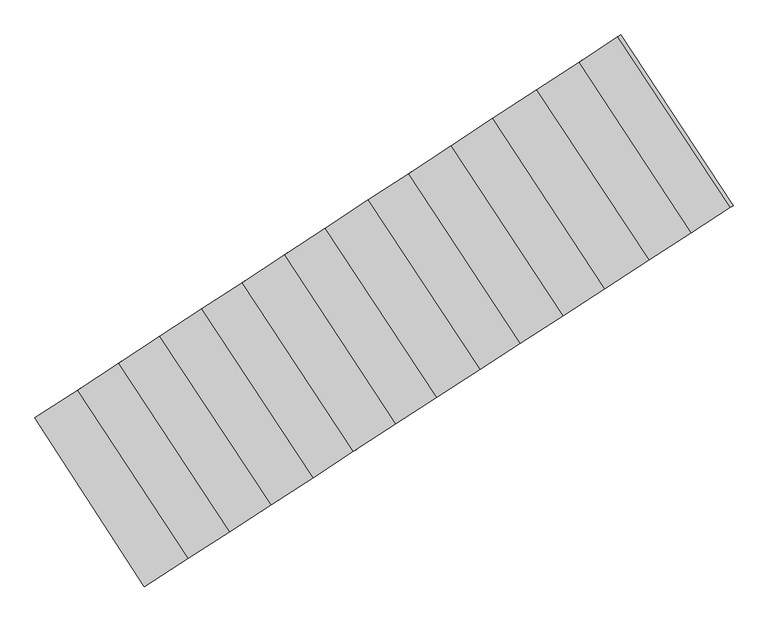
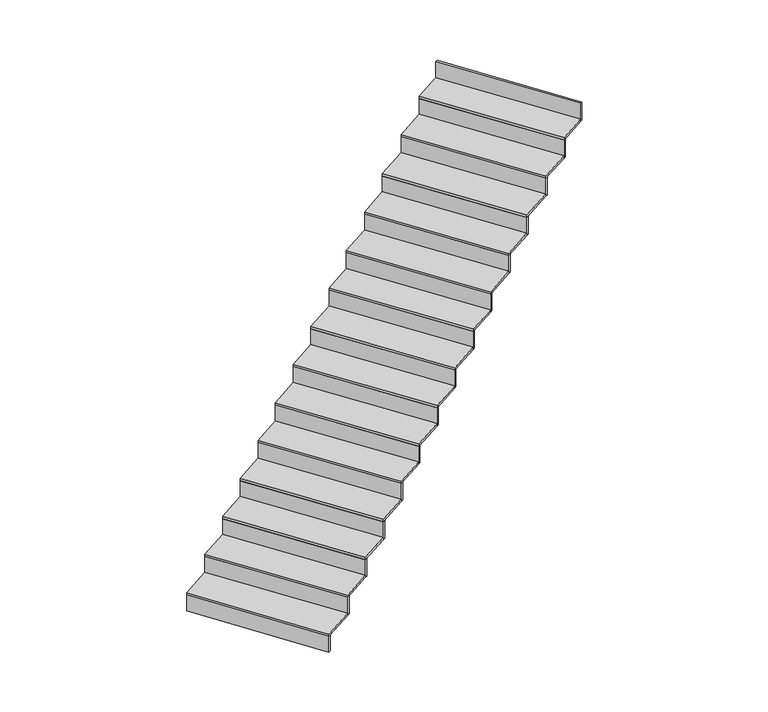
"""IFC4 building model written with IfcOpenShell, lengths in millimetres: stair flight geometry."""

from ifc_helpers import new_model, si_unit, frame, origin, place, context, project, spatial, polyline, outline, extrude, source, transform, mapped, element, save


def stair_flight_b3b17c06(model_context):
    return source(origin(), model_context, "Body", "SweptSolid", [
        extrude(outline(polyline([(85782.751732, 5957.9751414), (85765.9633212, 5947.1054755), (85127.6388762, 6930.9217381), (85144.3779386, 6941.8674622), (85782.751732, 5957.9751414)])), frame((0.0, 0.0, -2376.5), z_axis=(0.0, 0.0, 1.0), x_axis=(1.0, 0.0, 0.0)), (0.0, 0.0, 1.0), 140.8530746),
        extrude(outline(polyline([(85376.2366219, 7093.4805638), (86022.4494329, 6113.1675492), (85765.9633212, 5947.1054755), (85127.6388762, 6930.9217381), (85376.2366219, 7093.4805638)])), frame((0.0, 0.0, -2235.6469254), z_axis=(0.0, 0.0, 1.0), x_axis=(1.0, 0.0, 0.0)), (0.0, 0.0, 1.0), 20.0),
        extrude(outline(polyline([(86039.2384042, 6124.0375779), (86022.4494329, 6113.1675492), (85376.2366219, 7093.4805638), (85392.9756921, 7104.426293), (86039.2384042, 6124.0375779)])), frame((0.0, 0.0, -2235.6469254), z_axis=(0.0, 0.0, 1.0), x_axis=(1.0, 0.0, 0.0)), (0.0, 0.0, 1.0), 160.8530746),
        extrude(outline(polyline([(85615.459194, 7249.9089348), (86262.3851543, 6268.5140636), (86022.4494329, 6113.1675492), (85376.2366219, 7093.4805638), (85615.459194, 7249.9089348)])), frame((0.0, 0.0, -2074.7938508), z_axis=(0.0, 0.0, 1.0), x_axis=(1.0, 0.0, 0.0)), (0.0, 0.0, 1.0), 20.0),
        extrude(outline(polyline([(86279.1741256, 6279.3840923), (86262.3851543, 6268.5140636), (85615.459194, 7249.9089348), (85632.1982642, 7260.854664), (86279.1741256, 6279.3840923)])), frame((0.0, 0.0, -2074.7938508), z_axis=(0.0, 0.0, 1.0), x_axis=(1.0, 0.0, 0.0)), (0.0, 0.0, 1.0), 160.8530746),
        extrude(outline(polyline([(85856.7940704, 7407.718548), (86504.4394771, 6425.2322676), (86262.3851543, 6268.5140636), (85615.459194, 7249.9089348), (85856.7940704, 7407.718548)])), frame((0.0, 0.0, -1913.9407762), z_axis=(0.0, 0.0, 1.0), x_axis=(1.0, 0.0, 0.0)), (0.0, 0.0, 1.0), 20.0),
        extrude(outline(polyline([(86521.2284484, 6436.1022963), (86504.4394771, 6425.2322676), (85856.7940704, 7407.718548), (85873.5331406, 7418.6642772), (86521.2284484, 6436.1022963)])), frame((0.0, 0.0, -1913.9407762), z_axis=(0.0, 0.0, 1.0), x_axis=(1.0, 0.0, 0.0)), (0.0, 0.0, 1.0), 160.8530746),
        extrude(outline(polyline([(86100.8922311, 7567.3350813), (86749.2653218, 6583.744895), (86504.4394771, 6425.2322676), (85856.7940704, 7407.718548), (86100.8922311, 7567.3350813)])), frame((0.0, 0.0, -1753.0877016), z_axis=(0.0, 0.0, 1.0), x_axis=(1.0, 0.0, 0.0)), (0.0, 0.0, 1.0), 20.0),
        extrude(outline(polyline([(86766.0542931, 6594.6149237), (86749.2653218, 6583.744895), (86100.8922311, 7567.3350813), (86117.6313013, 7578.2808105), (86766.0542931, 6594.6149237)])), frame((0.0, 0.0, -1753.0877016), z_axis=(0.0, 0.0, 1.0), x_axis=(1.0, 0.0, 0.0)), (0.0, 0.0, 1.0), 160.8530746),
        extrude(outline(polyline([(86335.2392145, 7720.57529), (86984.31092, 6735.9252964), (86749.2653218, 6583.744895), (86100.8922311, 7567.3350813), (86335.2392145, 7720.57529)])), frame((0.0, 0.0, -1592.234627), z_axis=(0.0, 0.0, 1.0), x_axis=(1.0, 0.0, 0.0)), (0.0, 0.0, 1.0), 20.0),
        extrude(outline(polyline([(87001.0998912, 6746.7953251), (86984.31092, 6735.9252964), (86335.2392145, 7720.57529), (86351.9782848, 7731.5210191), (87001.0998912, 6746.7953251)])), frame((0.0, 0.0, -1592.234627), z_axis=(0.0, 0.0, 1.0), x_axis=(1.0, 0.0, 0.0)), (0.0, 0.0, 1.0), 160.8530746),
        extrude(outline(polyline([(86582.8313218, 7882.4765255), (87232.641127, 6896.7068251), (86984.31092, 6735.9252964), (86335.2392145, 7720.57529), (86582.8313218, 7882.4765255)])), frame((0.0, 0.0, -1431.3815524), z_axis=(0.0, 0.0, 1.0), x_axis=(1.0, 0.0, 0.0)), (0.0, 0.0, 1.0), 20.0),
        extrude(outline(polyline([(87249.4300983, 6907.5768538), (87232.641127, 6896.7068251), (86582.8313218, 7882.4765255), (86599.570392, 7893.4222547), (87249.4300983, 6907.5768538)])), frame((0.0, 0.0, -1431.3815524), z_axis=(0.0, 0.0, 1.0), x_axis=(1.0, 0.0, 0.0)), (0.0, 0.0, 1.0), 160.8530746),
        extrude(outline(polyline([(86820.6722517, 8038.0014365), (87471.1910875, 7051.1561278), (87232.641127, 6896.7068251), (86582.8313218, 7882.4765255), (86820.6722517, 8038.0014365)])), frame((0.0, 0.0, -1270.5284778), z_axis=(0.0, 0.0, 1.0), x_axis=(1.0, 0.0, 0.0)), (0.0, 0.0, 1.0), 20.0),
        extrude(outline(polyline([(87487.9800587, 7062.0261565), (87471.1910875, 7051.1561278), (86820.6722517, 8038.0014365), (86837.4113219, 8048.9471657), (87487.9800587, 7062.0261565)])), frame((0.0, 0.0, -1270.5284778), z_axis=(0.0, 0.0, 1.0), x_axis=(1.0, 0.0, 0.0)), (0.0, 0.0, 1.0), 160.8530746),
        extrude(outline(polyline([(87071.7583053, 8202.1873743), (87723.0256569, 7214.2065579), (87471.1910875, 7051.1561278), (86820.6722517, 8038.0014365), (87071.7583053, 8202.1873743)])), frame((0.0, 0.0, -1109.6754032), z_axis=(0.0, 0.0, 1.0), x_axis=(1.0, 0.0, 0.0)), (0.0, 0.0, 1.0), 20.0),
        extrude(outline(polyline([(87739.8146281, 7225.0765865), (87723.0256569, 7214.2065579), (87071.7583053, 8202.1873743), (87088.4973756, 8213.1331035), (87739.8146281, 7225.0765865)])), frame((0.0, 0.0, -1109.6754032), z_axis=(0.0, 0.0, 1.0), x_axis=(1.0, 0.0, 0.0)), (0.0, 0.0, 1.0), 160.8530746),
        extrude(outline(polyline([(87306.1052888, 8355.427583), (87958.071255, 7366.3869592), (87723.0256569, 7214.2065579), (87071.7583053, 8202.1873743), (87306.1052888, 8355.427583)])), frame((0.0, 0.0, -948.8223286), z_axis=(0.0, 0.0, 1.0), x_axis=(1.0, 0.0, 0.0)), (0.0, 0.0, 1.0), 20.0),
        extrude(outline(polyline([(87974.8602262, 7377.2569879), (87958.071255, 7366.3869592), (87306.1052888, 8355.427583), (87322.844359, 8366.3733122), (87974.8602262, 7377.2569879)])), frame((0.0, 0.0, -948.8223286), z_axis=(0.0, 0.0, 1.0), x_axis=(1.0, 0.0, 0.0)), (0.0, 0.0, 1.0), 160.8530746),
        extrude(outline(polyline([(87554.7525852, 8518.0188101), (88207.4597969, 7527.8537075), (87958.071255, 7366.3869592), (87306.1052888, 8355.427583), (87554.7525852, 8518.0188101)])), frame((0.0, 0.0, -787.9692541), z_axis=(0.0, 0.0, 1.0), x_axis=(1.0, 0.0, 0.0)), (0.0, 0.0, 1.0), 20.0),
        extrude(outline(polyline([(88224.2487682, 7538.7237361), (88207.4597969, 7527.8537075), (87554.7525852, 8518.0188101), (87571.4916555, 8528.9645392), (88224.2487682, 7538.7237361)])), frame((0.0, 0.0, -787.9692541), z_axis=(0.0, 0.0, 1.0), x_axis=(1.0, 0.0, 0.0)), (0.0, 0.0, 1.0), 160.8530746),
        extrude(outline(polyline([(87797.3016416, 8676.6223793), (88450.7319193, 7685.3603765), (88207.4597969, 7527.8537075), (87554.7525852, 8518.0188101), (87797.3016416, 8676.6223793)])), frame((0.0, 0.0, -627.1161795), z_axis=(0.0, 0.0, 1.0), x_axis=(1.0, 0.0, 0.0)), (0.0, 0.0, 1.0), 20.0),
        extrude(outline(polyline([(88467.5208906, 7696.2304051), (88450.7319193, 7685.3603765), (87797.3016416, 8676.6223793), (87814.0407119, 8687.5681085), (88467.5208906, 7696.2304051)])), frame((0.0, 0.0, -627.1161795), z_axis=(0.0, 0.0, 1.0), x_axis=(1.0, 0.0, 0.0)), (0.0, 0.0, 1.0), 160.8530746),
        extrude(outline(polyline([(88053.993946, 8844.4742616), (88708.1894523, 7852.0513974), (88450.7319193, 7685.3603765), (87797.3016416, 8676.6223793), (88053.993946, 8844.4742616)])), frame((0.0, 0.0, -466.2631049), z_axis=(0.0, 0.0, 1.0), x_axis=(1.0, 0.0, 0.0)), (0.0, 0.0, 1.0), 20.0),
        extrude(outline(polyline([(88724.9784236, 7862.9214261), (88708.1894523, 7852.0513974), (88053.993946, 8844.4742616), (88070.7330163, 8855.4199908), (88724.9784236, 7862.9214261)])), frame((0.0, 0.0, -466.2631049), z_axis=(0.0, 0.0, 1.0), x_axis=(1.0, 0.0, 0.0)), (0.0, 0.0, 1.0), 160.8530746),
        extrude(outline(polyline([(88299.7519812, 9005.1761919), (88954.6801197, 8011.6419152), (88708.1894523, 7852.0513974), (88053.993946, 8844.4742616), (88299.7519812, 9005.1761919)])), frame((0.0, 0.0, -305.4100303), z_axis=(0.0, 0.0, 1.0), x_axis=(1.0, 0.0, 0.0)), (0.0, 0.0, 1.0), 20.0),
        extrude(outline(polyline([(88971.469091, 8022.5119439), (88954.6801197, 8011.6419152), (88299.7519812, 9005.1761919), (88316.4910515, 9016.1219211), (88971.469091, 8022.5119439)])), frame((0.0, 0.0, -305.4100303), z_axis=(0.0, 0.0, 1.0), x_axis=(1.0, 0.0, 0.0)), (0.0, 0.0, 1.0), 160.8530746),
        extrude(outline(polyline([(89197.9920302, 8169.174345), (89181.2030589, 8158.3043164), (88525.6016372, 9152.8599722), (88542.3407074, 9163.8057014), (89197.9920302, 8169.174345)])), frame((0.0, 0.0, -144.5569557), z_axis=(0.0, 0.0, 1.0), x_axis=(1.0, 0.0, 0.0)), (0.0, 0.0, 1.0), 160.8530746),
        extrude(outline(polyline([(88525.6016372, 9152.8599722), (89181.2030589, 8158.3043164), (88954.6801197, 8011.6419152), (88299.7519812, 9005.1761919), (88525.6016372, 9152.8599722)])), frame((0.0, 0.0, -144.5569557), z_axis=(0.0, 0.0, 1.0), x_axis=(1.0, 0.0, 0.0)), (0.0, 0.0, 1.0), 20.0),
    ])


if __name__ == "__main__":
    model = new_model("IFC4")
    model_context = context("Model", 3, world=origin())
    ifc_project = project(units=[si_unit("LENGTHUNIT", "METRE", prefix="MILLI")], contexts=[model_context])
    site = spatial("IfcSite", under=ifc_project)
    building = spatial("IfcBuilding", under=site)
    placement = place(None, origin())
    stair_flight_shape = stair_flight_b3b17c06(model_context)
    element("IfcStairFlight", 1, at=placement, inside=building, context=model_context, shape_type="MappedRepresentation", body=[
        mapped(stair_flight_shape, transform((0.0, 0.0, 0.0), x_axis=(1.0, 0.0, 0.0), y_axis=(0.0, 1.0, 0.0), z_axis=(0.0, 0.0, 1.0))),
    ])
    save(model, "model.ifc")
